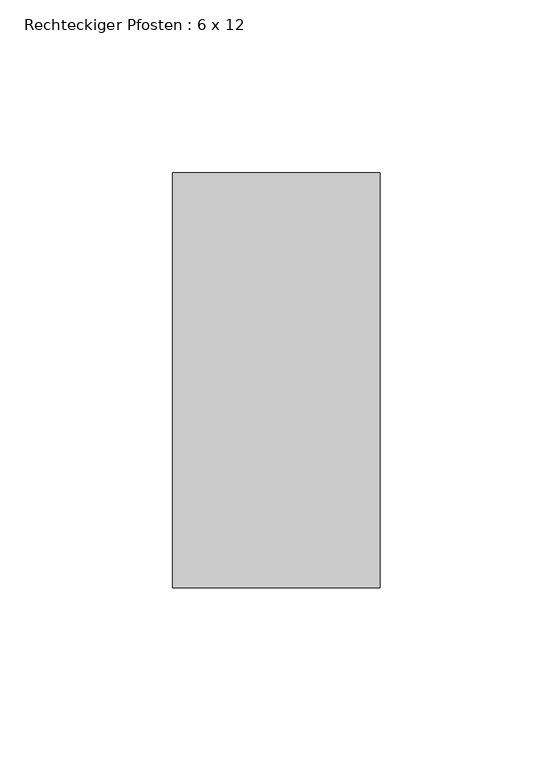
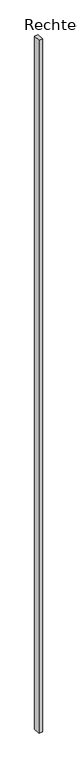
"""IFC4 building model written with IfcOpenShell, lengths in millimetres: member geometry, Rechteckiger Pfosten : 6 x 12."""

from ifc_helpers import new_model, si_unit, frame, origin, place, context, project, spatial, polyline, outline, extrude, source, transform, mapped, element, save


def rechteckiger_pfosten_6_x_12_08775f55(model_context):
    return source(origin(), model_context, "Body", "SweptSolid", [
        extrude(outline(polyline([(0.0, 60.0), (0.0, -60.0), (-60.0, -60.0), (-60.0, 60.0), (0.0, 60.0)])), frame((0.0, 0.0, -12404.4852111), z_axis=(0.0, 0.0, 1.0), x_axis=(1.0, 0.0, 0.0)), (0.0, 0.0, 1.0), 12404.4852111),
    ])


if __name__ == "__main__":
    model = new_model("IFC4")
    model_context = context("Model", 3, world=origin())
    ifc_project = project(units=[si_unit("LENGTHUNIT", "METRE", prefix="MILLI")], contexts=[model_context])
    site = spatial("IfcSite", under=ifc_project)
    building = spatial("IfcBuilding", under=site)
    placement = place(None, origin())
    rechteckiger_pfosten_6_x_12_shape = rechteckiger_pfosten_6_x_12_08775f55(model_context)
    element("IfcMember", 1, ObjectType="Rechteckiger Pfosten : 6 x 12", at=placement, inside=building, context=model_context, shape_type="MappedRepresentation", body=[
        mapped(rechteckiger_pfosten_6_x_12_shape, transform((0.0, 0.0, 0.0), x_axis=(1.0, 0.0, 0.0), y_axis=(0.0, 1.0, 0.0), z_axis=(0.0, 0.0, 1.0))),
    ])
    save(model, "model.ifc")
